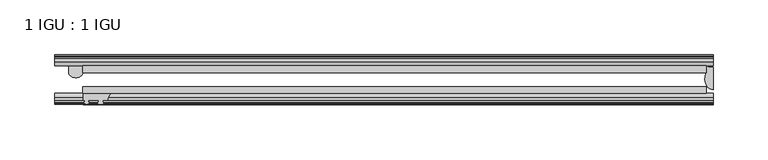
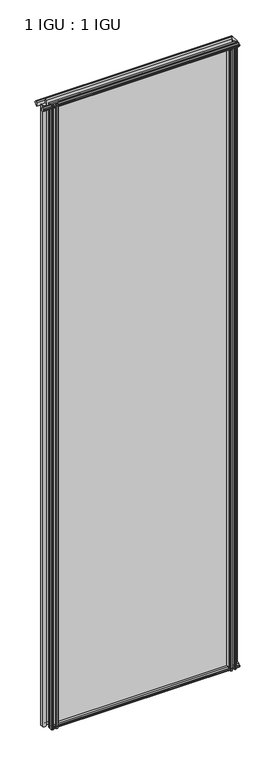
"""IFC4 building model written with IfcOpenShell, lengths in millimetres: plate geometry, 1 IGU : 1 IGU."""

from ifc_helpers import new_model, si_unit, point, frame, frame_2d, origin, place, context, project, spatial, polyline, circle_curve, ellipse_curve, trimmed, segment, composite_curve, outline, extrude, source, transform, mapped, element, save
from ifc_brep_helpers import plane_surface, cylinder_surface, revolved_surface, extruded_surface, advanced_brep


def plate_1_igu_1_igu_5a16c802(model_context):
    return source(origin(), model_context, "Body", "SolidModel", [
        extrude(outline(polyline([(-253.903576, -38.6468937), (314.3277947, -38.6468937), (314.3277947, -44.9460938), (-253.903576, -44.9460938), (-253.903576, -38.6468937)])), frame((0.0, 0.0, -12.7), z_axis=(0.0, 0.0, 1.0), x_axis=(1.0, 0.0, 0.0)), (0.0, 0.0, 1.0), 2019.2999999),
        extrude(outline(polyline([(-253.903576, -19.5460937), (314.3277947, -19.5460937), (314.3277947, -25.8960938), (-253.903576, -25.8960938), (-253.903576, -19.5460937)])), frame((0.0, 0.0, -12.7), z_axis=(0.0, 0.0, 1.0), x_axis=(1.0, 0.0, 0.0)), (0.0, 0.0, 1.0), 2019.2999999),
        advanced_brep(
        [(-266.5794104, -19.5460937, 1993.8999999), (-266.5794104, -25.8452937, 1993.8999999), (-253.8794104, -25.8452937, 1993.8999999), (-253.8794104, -19.5460937, 1993.8999999), (-266.5794104, -19.5460937, -12.7), (-253.8794104, -19.5460937, -12.7), (-253.8794104, -25.8452937, -12.7), (-266.5794104, -25.8452937, -12.7)],
        [
            (0, 1),
            (1, 2, ellipse_curve(frame((-260.2294104, -25.8452937, 1993.8999999), z_axis=(0.0, 0.0, 1.0), x_axis=(1.0, 0.0, 0.0)), 6.35, 4.7800819)),
            (2, 3),
            (3, 0, circle_curve(frame((-260.2294104, 20.9435078, 1993.8999999), z_axis=(0.0, 0.0, -1.0), x_axis=(0.0, 1.0, 0.0)), 40.9845134)),
            (4, 5, circle_curve(frame((-260.2294104, 20.9435078, -12.7), z_axis=(0.0, 0.0, 1.0), x_axis=(0.0, 1.0, 0.0)), 40.9845134)),
            (5, 6),
            (6, 7, ellipse_curve(frame((-260.2294104, -25.8452937, -12.7), z_axis=(0.0, 0.0, -1.0), x_axis=(1.0, 0.0, 0.0)), 6.35, 4.7800819)),
            (7, 4),
            (0, 4),
            (7, 1),
            (6, 2),
            (5, 3),
        ],
        [
            plane_surface(frame((-253.2090447, -13.1960937, 1993.8999999), z_axis=(0.0, 0.0, 1.0), x_axis=(0.0, 1.0, 0.0))),
            plane_surface(frame((-253.2090447, -13.1960937, -12.7), z_axis=(0.0, 0.0, -1.0), x_axis=(0.0, 1.0, 0.0))),
            plane_surface(frame((-266.5794104, -19.5460937, 1993.8999999), z_axis=(-1.0, 0.0, 0.0), x_axis=(0.0, 0.0, -1.0))),
            extruded_surface(trimmed(ellipse_curve(frame((-260.2294104, -25.8452937, -12.7), z_axis=(0.0, 0.0, 1.0), x_axis=(1.0, 0.0, 0.0)), 6.35, 4.7800819), [point((-266.5794104, -25.8452937, -12.7))], [point((-253.8794104, -25.8452937, -12.7))], True, "CARTESIAN"), (0.0, 0.0, 2006.5999999), 2006.5999999),
            plane_surface(frame((-253.8794104, -25.8452937, 1993.8999999), z_axis=(1.0, 0.0, 0.0), x_axis=(0.0, 0.0, -1.0))),
            revolved_surface(polyline([(-260.2294104, 61.928021199999996, -12.700000000000045), (-260.2294104, 61.928021199999996, 1993.8999999)]), (-260.2294104, 20.9435078, 1993.8999999), (0.0, 0.0, -1.0)),
        ],
        [
            (0, [[1, 2, 3, 4]]),
            (1, [[5, 6, 7, 8]]),
            (2, [[-1, 9, -8, 10]]),
            (3, [[-2, -10, -7, 11]]),
            (4, [[-3, -11, -6, 12]]),
            (5, [[-4, -12, -5, -9]]),
        ],
    ),
        advanced_brep(
        [(320.6777947, -21.1709383, -12.4587), (320.6777947, -41.5384061, -12.4587), (313.1554576, -32.2460938, -12.4587), (314.3277947, -25.8452938, -12.4587), (314.3277947, -19.5460938, -12.4587), (320.6777947, -21.1709383, 2006.5999999), (314.3277947, -19.5460938, 2006.5999999), (314.3277947, -25.8452938, 2006.5999999), (313.1554576, -32.2460938, 2006.5999999), (320.6777947, -41.5384061, 2006.5999999)],
        [
            (0, 1),
            (1, 2, ellipse_curve(frame((320.6777947, -32.2460938, -12.4587), z_axis=(0.0, 0.0, -1.0), x_axis=(0.0, -1.0, 0.0)), 9.2923124, 7.5223371)),
            (2, 3, circle_curve(frame((331.2153711, -32.2460938, -12.4587), z_axis=(0.0, 0.0, -1.0), x_axis=(1.0, 0.0, 0.0)), 18.0599135)),
            (3, 4),
            (4, 0, circle_curve(frame((320.6777947, -7.950406, -12.4587), z_axis=(0.0, 0.0, 1.0), x_axis=(1.0, 0.0, 0.0)), 13.2205323)),
            (5, 6, circle_curve(frame((320.6777947, -7.950406, 2006.5999999), z_axis=(0.0, 0.0, -1.0), x_axis=(1.0, 0.0, 0.0)), 13.2205323)),
            (6, 7),
            (7, 8, circle_curve(frame((331.2153711, -32.2460938, 2006.5999999), z_axis=(0.0, 0.0, 1.0), x_axis=(1.0, 0.0, 0.0)), 18.0599135)),
            (8, 9, ellipse_curve(frame((320.6777947, -32.2460938, 2006.5999999), z_axis=(0.0, 0.0, 1.0), x_axis=(0.0, -1.0, 0.0)), 9.2923124, 7.5223371)),
            (9, 5),
            (1, 9),
            (8, 2),
            (7, 3),
            (6, 4),
            (5, 0),
        ],
        [
            plane_surface(frame((320.6777947, -13.1960938, -12.4587), z_axis=(0.0, 0.0, -1.0), x_axis=(0.0, 1.0, 0.0))),
            plane_surface(frame((320.6777947, -13.1960938, 2006.5999999), z_axis=(0.0, 0.0, 1.0), x_axis=(0.0, 1.0, 0.0))),
            extruded_surface(trimmed(ellipse_curve(frame((320.6777947, -32.2460938, 2006.5999999), z_axis=(0.0, 0.0, -1.0), x_axis=(0.0, -1.0, 0.0)), 9.2923124, 7.5223371), [point((320.6777947, -41.5384061, 2006.5999999))], [point((313.1554576, -32.2460938, 2006.5999999))], True, "CARTESIAN"), (0.0, 0.0, -2019.0586999), 2019.0586999),
            cylinder_surface(frame((331.2153711, -32.2460938, -12.4587), z_axis=(0.0, 0.0, -1.0), x_axis=(1.0, 0.0, 0.0)), 18.0599135),
            plane_surface(frame((314.3277947, -25.8452938, -12.4587), z_axis=(-1.0, 0.0, 0.0), x_axis=(0.0, 0.0, 1.0))),
            revolved_surface(polyline([(333.898327, -7.950406, 2006.5999999), (333.898327, -7.950406, -12.4587)]), (320.6777947, -7.950406, -12.4587), (0.0, 0.0, 1.0)),
            plane_surface(frame((320.6777947, -21.1709383, -12.4587), z_axis=(1.0, 0.0, 0.0), x_axis=(0.0, 0.0, 1.0))),
        ],
        [
            (0, [[1, 2, 3, 4, 5]]),
            (1, [[6, 7, 8, 9, 10]]),
            (2, [[-2, 11, -9, 12]]),
            (3, [[-3, -12, -8, 13]]),
            (4, [[-4, -13, -7, 14]]),
            (5, [[-5, -14, -6, 15]]),
            (6, [[-1, -15, -10, -11]]),
        ],
    ),
        extrude(outline(polyline([(-44.9460937, 1.7177181), (-44.9460937, -9.1036578), (-48.3496937, -11.938), (-51.2960937, -11.938), (-51.2960937, -7.493), (-53.6762907, -7.112), (-53.2163575, -8.5275291), (-54.0175717, -8.5275291), (-54.7250937, -6.35), (-54.0175717, -4.1724709), (-53.2163575, -4.1724709), (-53.6762907, -5.588), (-51.2960937, -5.207), (-51.2960937, 0.0), (-44.9460937, 1.7177181)])), frame((-253.2090447, 0.0, 0.0), z_axis=(1.0, 0.0, 0.0), x_axis=(0.0, 1.0, 0.0)), (0.0, 0.0, 1.0), 573.8868395),
        extrude(outline(polyline([(-13.1960937, -12.4587), (-16.1424937, -12.4587), (-19.5460937, -9.6243578), (-19.5460937, 1.1970181), (-13.1960937, -0.5207), (-13.1960937, -5.7277), (-10.8158968, -6.1087), (-11.27583, -4.6931709), (-10.4746158, -4.6931709), (-9.7670937, -6.8707), (-10.4746158, -9.0482291), (-11.27583, -9.0482291), (-10.8158968, -7.6327), (-13.1960937, -8.0137), (-13.1960937, -12.4587)])), frame((-253.2090447, 0.0, 0.0), z_axis=(1.0, 0.0, 0.0), x_axis=(0.0, 1.0, 0.0)), (0.0, 0.0, 1.0), 573.8868395),
        extrude(outline(polyline([(-51.2960937, 2005.8379999), (-48.3496937, 2005.8379999), (-44.9460937, 2003.0036577), (-44.9460937, 1992.1822818), (-51.2960937, 1993.8999999), (-51.2960937, 1999.1069999), (-53.6762907, 1999.4879999), (-53.2163575, 1998.0724708), (-54.0175717, 1998.0724708), (-54.7250937, 2000.2499999), (-54.0175717, 2002.4275289), (-53.2163575, 2002.4275289), (-53.6762907, 2001.0119999), (-51.2960937, 2001.3929999), (-51.2960937, 2005.8379999)])), frame((-279.303576, 0.0, 0.0), z_axis=(1.0, 0.0, 0.0), x_axis=(0.0, 1.0, 0.0)), (0.0, 0.0, 1.0), 599.9813707),
        extrude(outline(polyline([(-19.5460937, 1992.7029818), (-19.5460937, 2003.5243577), (-16.1424937, 2006.3586999), (-13.1960937, 2006.3586999), (-13.1960937, 2001.9136999), (-10.8158968, 2001.5326999), (-11.27583, 2002.9482289), (-10.4746158, 2002.9482289), (-9.7670937, 2000.7706999), (-10.4746158, 1998.5931708), (-11.27583, 1998.5931708), (-10.8158968, 2000.0086999), (-13.1960937, 1999.6276999), (-13.1960937, 1994.4206999), (-19.5460937, 1992.7029818)])), frame((-279.303576, 0.0, 0.0), z_axis=(1.0, 0.0, 0.0), x_axis=(0.0, 1.0, 0.0)), (0.0, 0.0, 1.0), 599.9813707),
        extrude(outline(composite_curve([segment(polyline([(311.1527949, -44.9460938), (311.1527949, -51.2960938), (309.5017949, -51.2960938), (309.5017949, -52.9470938), (310.5794256, -52.9470938)]), True, "CONTINUOUS"), segment(trimmed(circle_curve(frame_2d((309.5017949, -52.9470938)), 1.0776307), [point((310.5794256, -52.9470938))], [point((310.2637949, -53.7090938))], False, "CARTESIAN"), True, "CONTINUOUS"), segment(polyline([(310.2637949, -53.7090938), (308.5245025, -54.8194621)]), True, "CONTINUOUS"), segment(trimmed(circle_curve(frame_2d((307.9777949, -53.9630938)), 1.016), [point((308.5245025, -54.8194621))], [point((307.4310873, -54.8194621))], False, "CARTESIAN"), True, "CONTINUOUS"), segment(polyline([(307.4310873, -54.8194621), (305.6917949, -53.7090938)]), True, "CONTINUOUS"), segment(trimmed(circle_curve(frame_2d((306.4537949, -52.9470938)), 1.0776307), [point((305.6917949, -53.7090938))], [point((305.3761641, -52.9470938))], False, "CARTESIAN"), True, "CONTINUOUS"), segment(polyline([(305.3761641, -52.9470938), (306.4537949, -52.9470938), (306.4537949, -51.2960938), (297.3859949, -51.2960938)]), True, "CONTINUOUS"), segment(trimmed(circle_curve(frame_2d((297.3859949, -51.7532938)), 0.4572), [point((297.3859949, -51.2960938))], [point((297.047177, -52.0602698))], True, "CARTESIAN"), True, "CONTINUOUS"), segment(trimmed(circle_curve(frame_2d((295.2777949, -53.663367)), 2.3876), [point((297.047177, -52.0602698))], [point((297.3484379, -54.8520938))], False, "CARTESIAN"), True, "CONTINUOUS"), segment(polyline([(297.3484379, -54.8520938), (293.2071519, -54.8520938)]), True, "CONTINUOUS"), segment(trimmed(circle_curve(frame_2d((295.2777949, -53.663367)), 2.3876), [point((293.2071519, -54.8520938))], [point((293.5084127, -52.0602698))], False, "CARTESIAN"), True, "CONTINUOUS"), segment(trimmed(circle_curve(frame_2d((293.1695949, -51.7532938)), 0.4572), [point((293.5084127, -52.0602698))], [point((293.1695949, -51.2960938))], True, "CARTESIAN"), True, "CONTINUOUS"), segment(polyline([(293.1695949, -51.2960938), (288.9277949, -51.2960938)]), True, "CONTINUOUS"), segment(trimmed(circle_curve(frame_2d((279.9118634, -51.9750196)), 9.0414579), [point((288.9277949, -51.2960938))], [point((285.5988804, -44.9460938))], True, "CARTESIAN"), True, "CONTINUOUS"), segment(polyline([(285.5988804, -44.9460938), (311.1527949, -44.9460938)]), True, "CONTINUOUS")], self_intersect=False)), frame((0.0, 0.0, -12.7), z_axis=(0.0, 0.0, 1.0), x_axis=(1.0, 0.0, 0.0)), (0.0, 0.0, 1.0), 2006.5999999),
        extrude(outline(composite_curve([segment(trimmed(circle_curve(frame_2d((-222.2657697, -51.9750196)), 9.0414579), [point((-227.9527866, -44.9460938))], [point((-231.2817011, -51.2960938))], True, "CARTESIAN"), True, "CONTINUOUS"), segment(polyline([(-231.2817011, -51.2960938), (-235.5235011, -51.2960938)]), True, "CONTINUOUS"), segment(trimmed(circle_curve(frame_2d((-235.5235011, -51.7532938)), 0.4572), [point((-235.5235011, -51.2960938))], [point((-235.862319, -52.0602698))], True, "CARTESIAN"), True, "CONTINUOUS"), segment(trimmed(circle_curve(frame_2d((-237.6317011, -53.663367)), 2.3876), [point((-235.862319, -52.0602698))], [point((-235.5610581, -54.8520938))], False, "CARTESIAN"), True, "CONTINUOUS"), segment(polyline([(-235.5610581, -54.8520938), (-239.7023441, -54.8520938)]), True, "CONTINUOUS"), segment(trimmed(circle_curve(frame_2d((-237.6317011, -53.663367)), 2.3876), [point((-239.7023441, -54.8520938))], [point((-239.4010833, -52.0602698))], False, "CARTESIAN"), True, "CONTINUOUS"), segment(trimmed(circle_curve(frame_2d((-239.7399011, -51.7532938)), 0.4572), [point((-239.4010833, -52.0602698))], [point((-239.7399011, -51.2960938))], True, "CARTESIAN"), True, "CONTINUOUS"), segment(polyline([(-239.7399011, -51.2960938), (-248.8077011, -51.2960938), (-248.8077011, -52.9470938), (-247.7300704, -52.9470938)]), True, "CONTINUOUS"), segment(trimmed(circle_curve(frame_2d((-248.8077011, -52.9470938)), 1.0776307), [point((-247.7300704, -52.9470938))], [point((-248.0457011, -53.7090938))], False, "CARTESIAN"), True, "CONTINUOUS"), segment(polyline([(-248.0457011, -53.7090938), (-249.7849935, -54.8194621)]), True, "CONTINUOUS"), segment(trimmed(circle_curve(frame_2d((-250.3317011, -53.9630938)), 1.016), [point((-249.7849935, -54.8194621))], [point((-250.8784087, -54.8194621))], False, "CARTESIAN"), True, "CONTINUOUS"), segment(polyline([(-250.8784087, -54.8194621), (-252.6177011, -53.7090938)]), True, "CONTINUOUS"), segment(trimmed(circle_curve(frame_2d((-251.8557011, -52.9470938)), 1.0776307), [point((-252.6177011, -53.7090938))], [point((-252.9333319, -52.9470938))], False, "CARTESIAN"), True, "CONTINUOUS"), segment(polyline([(-252.9333319, -52.9470938), (-251.8557011, -52.9470938), (-251.8557011, -51.2960938), (-253.5067011, -51.2960938), (-253.5067011, -44.9460938), (-227.9527866, -44.9460938)]), True, "CONTINUOUS")], self_intersect=False)), frame((0.0, 0.0, -12.7), z_axis=(0.0, 0.0, 1.0), x_axis=(1.0, 0.0, 0.0)), (0.0, 0.0, 1.0), 2019.3),
    ])


if __name__ == "__main__":
    model = new_model("IFC4")
    model_context = context("Model", 3, world=origin())
    ifc_project = project(units=[si_unit("LENGTHUNIT", "METRE", prefix="MILLI")], contexts=[model_context])
    site = spatial("IfcSite", under=ifc_project)
    building = spatial("IfcBuilding", under=site)
    placement = place(None, origin())
    plate_1_igu_1_igu_shape = plate_1_igu_1_igu_5a16c802(model_context)
    element("IfcPlate", 1, ObjectType="1 IGU : 1 IGU", at=placement, inside=building, context=model_context, shape_type="MappedRepresentation", body=[
        mapped(plate_1_igu_1_igu_shape, transform((0.0, 0.0, 0.0), x_axis=(1.0, 0.0, 0.0), y_axis=(0.0, 1.0, 0.0), z_axis=(0.0, 0.0, 1.0))),
    ])
    save(model, "model.ifc")
